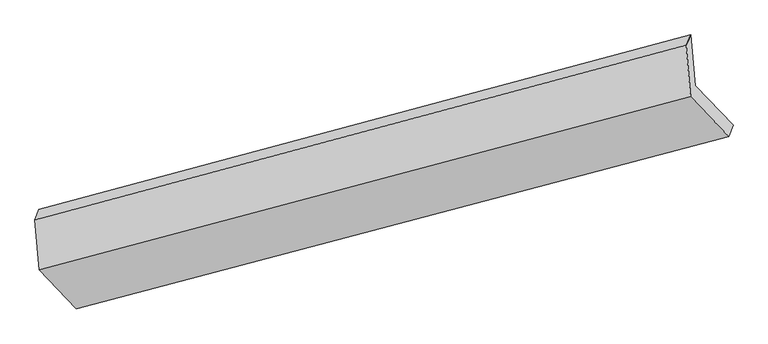
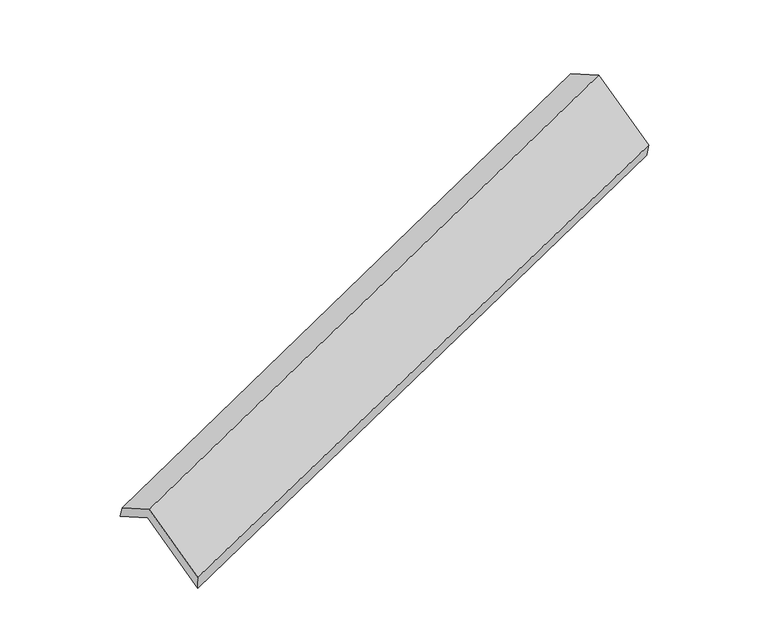
"""IFC4 building model written with IfcOpenShell, lengths in millimetres: proxy geometry."""

import ifcopenshell
import ifcopenshell.guid

model = None  # the IFC model being written
_history = None  # IfcOwnerHistory: only IFC2X3 demands one
_inside = {}  # id of a spatial element -> (the spatial element, [elements in it])
_under = {}  # id of a project, library or spatial element -> (it, [spatial elements below it])
_declared = {}  # id of a project -> (the project, [libraries it declares])
_typed = {}  # id of a type object -> (the type object, [elements of that type])
_made_of = {}  # id of a material, layer set ... -> (it, [elements and type objects made of it])


def new_model(schema):
    """Start an empty IFC model of exactly this schema.

    Asked for "IFC4X3", IfcOpenShell would pick the latest addendum, in which some entities
    have other attributes; the version numbers below select the first issue.
    IFC2X3 requires an IfcOwnerHistory on every rooted entity: one is made here for all.
    """
    global model, _history
    if schema == "IFC4X3":
        model = ifcopenshell.file(schema_version=(4, 3, 0, 0))
    else:
        model = ifcopenshell.file(schema=schema)
    _inside.clear()
    _under.clear()
    _declared.clear()
    _typed.clear()
    _made_of.clear()
    _history = None
    if model.schema == "IFC2X3":
        org = make("IfcOrganization", Name="unknown")
        user = make(
            "IfcPersonAndOrganization",
            ThePerson=make("IfcPerson", FamilyName="unknown"),
            TheOrganization=org,
        )
        app = make(
            "IfcApplication",
            ApplicationDeveloper=org,
            Version="unknown",
            ApplicationFullName="unknown",
            ApplicationIdentifier="unknown",
        )
        _history = make(
            "IfcOwnerHistory",
            OwningUser=user,
            OwningApplication=app,
            ChangeAction="ADDED",
            CreationDate=0,
        )
    return model


def make(cls, **values):
    """One entity of the class cls with the attributes given. An attribute that is None is left unset."""
    return model.create_entity(
        cls, **{name: value for name, value in values.items() if value is not None}
    )


def rooted(cls, **values):
    """An entity with a GlobalId (a new one), such as an element, a storey or a relation."""
    return make(cls, GlobalId=ifcopenshell.guid.new(), OwnerHistory=_history, **values)


def si_unit(unit_type, name, prefix=None):
    """IfcSIUnit, for example si_unit("LENGTHUNIT", "METRE", prefix="MILLI")."""
    return make("IfcSIUnit", UnitType=unit_type, Prefix=prefix, Name=name)


def assignment(units):
    """IfcUnitAssignment: the units of a project."""
    return None if units is None else make("IfcUnitAssignment", Units=units)


def point(xyz):
    """IfcCartesianPoint."""
    return None if xyz is None else make("IfcCartesianPoint", Coordinates=xyz)


def direction(xyz):
    """IfcDirection."""
    return None if xyz is None else make("IfcDirection", DirectionRatios=xyz)


def frame(location, z_axis=None, x_axis=None):
    """IfcAxis2Placement3D, a coordinate frame: its origin and axes. An axis left out is left unset."""
    return make(
        "IfcAxis2Placement3D",
        Location=point(location),
        Axis=direction(z_axis),
        RefDirection=direction(x_axis),
    )


def origin():
    """The frame at (0, 0, 0) with its axes left unset."""
    return frame((0.0, 0.0, 0.0))


def place(relative_to, where):
    """IfcLocalPlacement: puts the frame where relative to a parent placement (None: the world)."""
    return make(
        "IfcLocalPlacement", PlacementRelTo=relative_to, RelativePlacement=where
    )


def context(
    kind, dimensions, precision=None, world=None, true_north=None, identifier=None
):
    """IfcGeometricRepresentationContext, for example the 3D "Model" context."""
    return make(
        "IfcGeometricRepresentationContext",
        ContextIdentifier=identifier,
        ContextType=kind,
        CoordinateSpaceDimension=dimensions,
        Precision=precision,
        WorldCoordinateSystem=world,
        TrueNorth=true_north,
    )


def project(units=None, contexts=None):
    """IfcProject with its units and contexts."""
    return rooted(
        "IfcProject",
        Name="project",
        RepresentationContexts=contexts,
        UnitsInContext=assignment(units),
    )


def spatial(cls, under=None, at=None, **own):
    """A site, building, storey or space (cls), placed at a placement, below another one or the project."""
    s = rooted(cls, ObjectPlacement=at, **own)
    if under is not None:
        _under.setdefault(under.id(), (under, []))[1].append(s)
    return s


def shape(context_of_items, identifier, shape_type, items):
    """IfcShapeRepresentation: the items that make up one representation, for example the "Body"."""
    return make(
        "IfcShapeRepresentation",
        ContextOfItems=context_of_items,
        RepresentationIdentifier=identifier,
        RepresentationType=shape_type,
        Items=items,
    )


def source(mapping_origin, context_of_items, identifier, shape_type, items):
    """IfcRepresentationMap: a shape defined once, which mapped items show again and again."""
    return make(
        "IfcRepresentationMap",
        MappingOrigin=mapping_origin,
        MappedRepresentation=shape(context_of_items, identifier, shape_type, items),
    )


def transform(
    local_origin,
    x_axis=None,
    y_axis=None,
    z_axis=None,
    scale=None,
    scale2=None,
    scale3=None,
    uniform=True,
):
    """IfcCartesianTransformationOperator3D, or its non-uniform kind. x_axis, y_axis, z_axis: its Axis1, 2, 3."""
    if uniform:
        return make(
            "IfcCartesianTransformationOperator3D",
            Axis1=direction(x_axis),
            Axis2=direction(y_axis),
            LocalOrigin=point(local_origin),
            Scale=scale,
            Axis3=direction(z_axis),
        )
    return make(
        "IfcCartesianTransformationOperator3DnonUniform",
        Axis1=direction(x_axis),
        Axis2=direction(y_axis),
        LocalOrigin=point(local_origin),
        Scale=scale,
        Axis3=direction(z_axis),
        Scale2=scale2,
        Scale3=scale3,
    )


def mapped(mapping_source, mapping_target):
    """IfcMappedItem: shows the shape of a source again, moved by a transform."""
    return make(
        "IfcMappedItem", MappingSource=mapping_source, MappingTarget=mapping_target
    )


def made_of(thing, what):
    """Note that an element or type object is made of a material, layer set ...; save() writes the relation."""
    if what is not None:
        _made_of.setdefault(what.id(), (what, []))[1].append(thing)
    return thing


def element(
    cls,
    number,
    at=None,
    inside=None,
    cuts=None,
    type_object=None,
    material=None,
    context=None,
    identifier="Body",
    shape_type=None,
    held_by="IfcProductDefinitionShape",
    body=None,
    shapes=None,
    **own,
):
    """One element of the class cls, such as IfcWall. Its Tag is "e" and its number.

    at: its placement. inside: the storey or other place that contains it. cuts: it is an
    opening in that element (IfcRelVoidsElement). A single representation is given by context,
    identifier, shape_type and body (its items); several are given by shapes. held_by: the class
    of the entity that holds the representations. save() writes the other relations.
    """
    e = rooted(cls, Tag="e%d" % number, ObjectPlacement=at, **own)
    if body is not None:
        shapes = [shape(context, identifier, shape_type, body)]
    if shapes is not None:
        e.Representation = make(held_by, Representations=shapes)
    if inside is not None:
        _inside.setdefault(inside.id(), (inside, []))[1].append(e)
    if cuts is not None:
        rooted(
            "IfcRelVoidsElement", RelatingBuildingElement=cuts, RelatedOpeningElement=e
        )
    if type_object is not None:
        _typed.setdefault(type_object.id(), (type_object, []))[1].append(e)
    return made_of(e, material)


def aggregate(whole, parts):
    """IfcRelAggregates: a whole, such as a stair, and the parts it consists of."""
    return rooted("IfcRelAggregates", RelatingObject=whole, RelatedObjects=parts)


def save(model, path):
    """Write the relations noted so far, then the file.

    IfcRelAggregates (storeys below a building ...), IfcRelContainedInSpatialStructure (elements
    in a storey), IfcRelDefinesByType, IfcRelAssociatesMaterial and IfcRelDeclares: one each for
    every whole, place, type object, material and project.
    """
    for whole, parts in _under.values():
        aggregate(whole, parts)
    for where, things in _inside.values():
        rooted(
            "IfcRelContainedInSpatialStructure",
            RelatedElements=things,
            RelatingStructure=where,
        )
    for kind, things in _typed.values():
        rooted("IfcRelDefinesByType", RelatedObjects=things, RelatingType=kind)
    for what, things in _made_of.values():
        rooted("IfcRelAssociatesMaterial", RelatedObjects=things, RelatingMaterial=what)
    for by, libraries in _declared.values():
        rooted("IfcRelDeclares", RelatingContext=by, RelatedDefinitions=libraries)
    model.write(path)


def plane_surface(at):
    """IfcPlane: the flat surface through the origin of the frame at, square to its z axis."""
    return make("IfcPlane", Position=at)


def spline_surface(u_degree, v_degree, points, u_multiplicities, v_multiplicities, u_knots, v_knots, weights=None):
    """IfcBSplineSurfaceWithKnots; with weights, IfcRationalBSplineSurfaceWithKnots. points: one row for each step in u."""
    own = dict(
        UDegree=u_degree,
        VDegree=v_degree,
        ControlPointsList=[[point(p) for p in row] for row in points],
        SurfaceForm="UNSPECIFIED",
        UClosed=False,
        VClosed=False,
        SelfIntersect=False,
        UMultiplicities=u_multiplicities,
        VMultiplicities=v_multiplicities,
        UKnots=u_knots,
        VKnots=v_knots,
        KnotSpec="UNSPECIFIED",
    )
    if weights is None:
        return make("IfcBSplineSurfaceWithKnots", **own)
    return make("IfcRationalBSplineSurfaceWithKnots", WeightsData=weights, **own)


def advanced_brep(points, edges, surfaces, faces):
    """IfcAdvancedBrep: a solid bounded by faces that lie on surfaces and meet in shared edges.

    An edge is (start, end): straight between two places in points (the first is 0);
    or (start, end, curve); or (start, end, curve, False) where it runs against its curve.
    A face is (place in surfaces, loops), or (place, loops, False) where it looks against
    its surface's normal. A loop lists edges by number (the first is 1), with a minus sign
    where the edge is run from its end to its start. The first loop is the outer one.
    """
    corners = [point(p) for p in points]
    vertices = [make("IfcVertexPoint", VertexGeometry=c) for c in corners]
    made = []
    for start, end, *more in edges:
        made.append(
            make(
                "IfcEdgeCurve",
                EdgeStart=vertices[start],
                EdgeEnd=vertices[end],
                EdgeGeometry=more[0] if more else make("IfcPolyline", Points=[corners[start], corners[end]]),
                SameSense=more[1] if len(more) > 1 else True,
            )
        )
    hull = []
    for where, loops, *sense in faces:
        bounds = []
        for j, loop in enumerate(loops):
            ring = [make("IfcOrientedEdge", EdgeElement=made[abs(k) - 1], Orientation=k > 0) for k in loop]
            bounds.append(
                make(
                    "IfcFaceOuterBound" if j == 0 else "IfcFaceBound",
                    Bound=make("IfcEdgeLoop", EdgeList=ring),
                    Orientation=True,
                )
            )
        hull.append(make("IfcAdvancedFace", Bounds=bounds, FaceSurface=surfaces[where], SameSense=sense[0] if sense else True))
    return make("IfcAdvancedBrep", Outer=make("IfcClosedShell", CfsFaces=hull))


def generic_models_8f24a2a0(model_context):
    return source(origin(), model_context, "Body", "AdvancedBrep", [
        advanced_brep(
        [(-5155.9577388, -2094.6235498, 1327.0777546), (-5185.040809, -1745.8308371, 1138.8415253), (-720.2928753, -548.8972009, 2687.9973802), (-691.2098051, -897.6899137, 2876.2336094), (-5209.9507021, -1816.5871776, 1266.6357953), (-752.3371338, -620.2093556, 2836.9763593), (-5181.2572274, -2160.7074783, 1452.3504201), (-722.9118447, -973.1062931, 3027.4275539), (-4927.4183154, -2425.990591, 921.5746398), (-461.2067528, -1246.6102286, 2480.2036342), (-4892.7314008, -2369.717316, 776.6729176), (-431.9165571, -1168.6732685, 2334.0528421)],
        [
            (0, 1),
            (1, 2),
            (2, 3),
            (3, 0),
            (1, 4),
            (4, 5),
            (5, 2),
            (4, 6),
            (6, 7),
            (7, 5),
            (6, 8),
            (8, 9),
            (9, 7),
            (8, 10),
            (10, 11),
            (11, 9),
            (10, 0),
            (3, 11),
        ],
        [
            plane_surface(frame((-5170.4992739, -1920.2271934, 1232.95964), z_axis=(0.3951881157446427, -0.4105346830487928, -0.8217588619468769), x_axis=(-0.07318144457347356, 0.8776636843459882, -0.4736569785724321))),
            spline_surface(1, 1, [[(-5185.040809, -1745.8308371, 1138.8415253), (-720.2928753, -548.8972009, 2687.9973802)], [(-5209.9507021, -1816.5871776, 1266.6357953), (-752.3371338, -620.2093556, 2836.9763593)]], [2, 2], [2, 2], [0.0, 1.0], [0.0, 1.0]),
            plane_surface(frame((-5195.6039647, -1988.6473279, 1359.4931077), z_axis=(-0.3989412953002649, 0.4095166136395393, 0.8204523057785574), x_axis=(0.07318144457347359, -0.8776636843459882, 0.47365697857243216))),
            plane_surface(frame((-5054.3377714, -2293.3490347, 1186.9625299), z_axis=(0.06754031307981317, -0.8791638069449663, 0.47170892154708616), x_axis=(0.3933089962569644, -0.4110411363555609, -0.8224069659766194))),
            spline_surface(1, 1, [[(-4927.4183154, -2425.990591, 921.5746398), (-461.2067528, -1246.6102286, 2480.2036342)], [(-4892.7314008, -2369.717316, 776.6729176), (-431.9165571, -1168.6732685, 2334.0528421)]], [2, 2], [2, 2], [0.0, 1.0], [0.0, 1.0]),
            plane_surface(frame((-5024.3445698, -2232.1704329, 1051.8753361), z_axis=(-0.07130134367764232, 0.8781674264601919, -0.47300960824706995), x_axis=(-0.3933089962569723, 0.41104113635555883, 0.8224069659766167))),
            plane_surface(frame((-629.9791615, -909.1977101, 2707.1485632), z_axis=(0.9164892305059996, 0.24647848060984934, 0.31511243860371674), x_axis=(0.17413632725474126, 0.4633514943601708, -0.8688969629388897))),
            plane_surface(frame((-5092.0593656, -2102.242825, 1147.1921754), z_axis=(-0.9164892305059948, -0.2464784806099265, -0.3151124386036701), x_axis=(0.3933089962569667, -0.4110411363555444, -0.8224069659766265))),
        ],
        [
            (0, [[1, 2, 3, 4]]),
            (1, [[5, 6, 7, -2]]),
            (2, [[8, 9, 10, -6]]),
            (3, [[11, 12, 13, -9]]),
            (4, [[14, 15, 16, -12]]),
            (5, [[17, -4, 18, -15]]),
            (6, [[-16, -18, -3, -7, -10, -13]]),
            (7, [[-17, -14, -11, -8, -5, -1]]),
        ],
    ),
    ])


if __name__ == "__main__":
    model = new_model("IFC4")
    model_context = context("Model", 3, world=origin())
    ifc_project = project(units=[si_unit("LENGTHUNIT", "METRE", prefix="MILLI")], contexts=[model_context])
    site = spatial("IfcSite", under=ifc_project)
    building = spatial("IfcBuilding", under=site)
    placement = place(None, origin())
    generic_models_shape = generic_models_8f24a2a0(model_context)
    element("IfcBuildingElementProxy", 1, Name="Generic Models", at=placement, inside=building, context=model_context, shape_type="MappedRepresentation", body=[
        mapped(generic_models_shape, transform((0.0, 0.0, 0.0), x_axis=(1.0, 0.0, 0.0), y_axis=(0.0, 1.0, 0.0), z_axis=(0.0, 0.0, 1.0))),
    ])
    save(model, "model.ifc")
